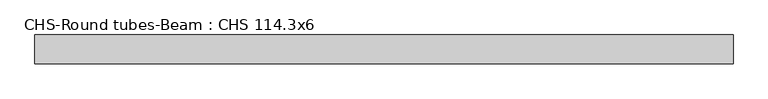
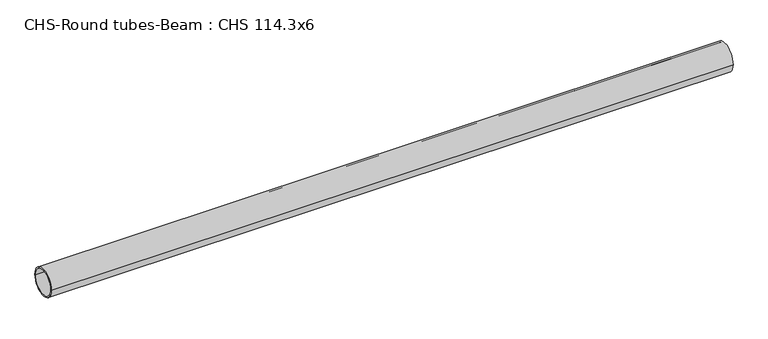
"""IFC4 building model written with IfcOpenShell, lengths in millimetres: beam geometry, CHS-Round tubes-Beam : CHS 114.3x6."""

import ifcopenshell
import ifcopenshell.guid

model = None  # the IFC model being written
_history = None  # IfcOwnerHistory: only IFC2X3 demands one
_inside = {}  # id of a spatial element -> (the spatial element, [elements in it])
_under = {}  # id of a project, library or spatial element -> (it, [spatial elements below it])
_declared = {}  # id of a project -> (the project, [libraries it declares])
_typed = {}  # id of a type object -> (the type object, [elements of that type])
_made_of = {}  # id of a material, layer set ... -> (it, [elements and type objects made of it])


def new_model(schema):
    """Start an empty IFC model of exactly this schema.

    Asked for "IFC4X3", IfcOpenShell would pick the latest addendum, in which some entities
    have other attributes; the version numbers below select the first issue.
    IFC2X3 requires an IfcOwnerHistory on every rooted entity: one is made here for all.
    """
    global model, _history
    if schema == "IFC4X3":
        model = ifcopenshell.file(schema_version=(4, 3, 0, 0))
    else:
        model = ifcopenshell.file(schema=schema)
    _inside.clear()
    _under.clear()
    _declared.clear()
    _typed.clear()
    _made_of.clear()
    _history = None
    if model.schema == "IFC2X3":
        org = make("IfcOrganization", Name="unknown")
        user = make(
            "IfcPersonAndOrganization",
            ThePerson=make("IfcPerson", FamilyName="unknown"),
            TheOrganization=org,
        )
        app = make(
            "IfcApplication",
            ApplicationDeveloper=org,
            Version="unknown",
            ApplicationFullName="unknown",
            ApplicationIdentifier="unknown",
        )
        _history = make(
            "IfcOwnerHistory",
            OwningUser=user,
            OwningApplication=app,
            ChangeAction="ADDED",
            CreationDate=0,
        )
    return model


def make(cls, **values):
    """One entity of the class cls with the attributes given. An attribute that is None is left unset."""
    return model.create_entity(
        cls, **{name: value for name, value in values.items() if value is not None}
    )


def rooted(cls, **values):
    """An entity with a GlobalId (a new one), such as an element, a storey or a relation."""
    return make(cls, GlobalId=ifcopenshell.guid.new(), OwnerHistory=_history, **values)


def si_unit(unit_type, name, prefix=None):
    """IfcSIUnit, for example si_unit("LENGTHUNIT", "METRE", prefix="MILLI")."""
    return make("IfcSIUnit", UnitType=unit_type, Prefix=prefix, Name=name)


def assignment(units):
    """IfcUnitAssignment: the units of a project."""
    return None if units is None else make("IfcUnitAssignment", Units=units)


def point(xyz):
    """IfcCartesianPoint."""
    return None if xyz is None else make("IfcCartesianPoint", Coordinates=xyz)


def direction(xyz):
    """IfcDirection."""
    return None if xyz is None else make("IfcDirection", DirectionRatios=xyz)


def frame(location, z_axis=None, x_axis=None):
    """IfcAxis2Placement3D, a coordinate frame: its origin and axes. An axis left out is left unset."""
    return make(
        "IfcAxis2Placement3D",
        Location=point(location),
        Axis=direction(z_axis),
        RefDirection=direction(x_axis),
    )


def frame_2d(location, x_axis=None):
    """IfcAxis2Placement2D, a coordinate frame in the plane: its origin and x axis."""
    return make(
        "IfcAxis2Placement2D", Location=point(location), RefDirection=direction(x_axis)
    )


def origin():
    """The frame at (0, 0, 0) with its axes left unset."""
    return frame((0.0, 0.0, 0.0))


def origin_2d():
    """The frame at (0, 0) in the plane with its x axis left unset."""
    return frame_2d((0.0, 0.0))


def place(relative_to, where):
    """IfcLocalPlacement: puts the frame where relative to a parent placement (None: the world)."""
    return make(
        "IfcLocalPlacement", PlacementRelTo=relative_to, RelativePlacement=where
    )


def context(
    kind, dimensions, precision=None, world=None, true_north=None, identifier=None
):
    """IfcGeometricRepresentationContext, for example the 3D "Model" context."""
    return make(
        "IfcGeometricRepresentationContext",
        ContextIdentifier=identifier,
        ContextType=kind,
        CoordinateSpaceDimension=dimensions,
        Precision=precision,
        WorldCoordinateSystem=world,
        TrueNorth=true_north,
    )


def project(units=None, contexts=None):
    """IfcProject with its units and contexts."""
    return rooted(
        "IfcProject",
        Name="project",
        RepresentationContexts=contexts,
        UnitsInContext=assignment(units),
    )


def spatial(cls, under=None, at=None, **own):
    """A site, building, storey or space (cls), placed at a placement, below another one or the project."""
    s = rooted(cls, ObjectPlacement=at, **own)
    if under is not None:
        _under.setdefault(under.id(), (under, []))[1].append(s)
    return s


def circle_curve(where, radius):
    """IfcCircle in the frame where."""
    return make("IfcCircle", Position=where, Radius=radius)


def trimmed(basis, trim1, trim2, sense, master):
    """IfcTrimmedCurve: the piece of a basis curve between two trims."""
    return make(
        "IfcTrimmedCurve",
        BasisCurve=basis,
        Trim1=trim1,
        Trim2=trim2,
        SenseAgreement=sense,
        MasterRepresentation=master,
    )


def segment(curve, same_sense, transition):
    """IfcCompositeCurveSegment."""
    return make(
        "IfcCompositeCurveSegment",
        Transition=transition,
        SameSense=same_sense,
        ParentCurve=curve,
    )


def composite_curve(segments, self_intersect=None):
    """IfcCompositeCurve: segments joined end to end."""
    return make("IfcCompositeCurve", Segments=segments, SelfIntersect=self_intersect)


def outline(outer, holes=None, kind="AREA"):
    """IfcArbitraryClosedProfileDef: a profile drawn as a closed curve; with holes, ...WithVoids."""
    if holes is None:
        return make("IfcArbitraryClosedProfileDef", ProfileType=kind, OuterCurve=outer)
    return make(
        "IfcArbitraryProfileDefWithVoids",
        ProfileType=kind,
        OuterCurve=outer,
        InnerCurves=holes,
    )


def extrude(swept, where, along, depth):
    """IfcExtrudedAreaSolid: the profile swept, set in the frame where, extruded along a direction by depth."""
    return make(
        "IfcExtrudedAreaSolid",
        SweptArea=swept,
        Position=where,
        ExtrudedDirection=direction(along),
        Depth=depth,
    )


def shape(context_of_items, identifier, shape_type, items):
    """IfcShapeRepresentation: the items that make up one representation, for example the "Body"."""
    return make(
        "IfcShapeRepresentation",
        ContextOfItems=context_of_items,
        RepresentationIdentifier=identifier,
        RepresentationType=shape_type,
        Items=items,
    )


def source(mapping_origin, context_of_items, identifier, shape_type, items):
    """IfcRepresentationMap: a shape defined once, which mapped items show again and again."""
    return make(
        "IfcRepresentationMap",
        MappingOrigin=mapping_origin,
        MappedRepresentation=shape(context_of_items, identifier, shape_type, items),
    )


def transform(
    local_origin,
    x_axis=None,
    y_axis=None,
    z_axis=None,
    scale=None,
    scale2=None,
    scale3=None,
    uniform=True,
):
    """IfcCartesianTransformationOperator3D, or its non-uniform kind. x_axis, y_axis, z_axis: its Axis1, 2, 3."""
    if uniform:
        return make(
            "IfcCartesianTransformationOperator3D",
            Axis1=direction(x_axis),
            Axis2=direction(y_axis),
            LocalOrigin=point(local_origin),
            Scale=scale,
            Axis3=direction(z_axis),
        )
    return make(
        "IfcCartesianTransformationOperator3DnonUniform",
        Axis1=direction(x_axis),
        Axis2=direction(y_axis),
        LocalOrigin=point(local_origin),
        Scale=scale,
        Axis3=direction(z_axis),
        Scale2=scale2,
        Scale3=scale3,
    )


def mapped(mapping_source, mapping_target):
    """IfcMappedItem: shows the shape of a source again, moved by a transform."""
    return make(
        "IfcMappedItem", MappingSource=mapping_source, MappingTarget=mapping_target
    )


def made_of(thing, what):
    """Note that an element or type object is made of a material, layer set ...; save() writes the relation."""
    if what is not None:
        _made_of.setdefault(what.id(), (what, []))[1].append(thing)
    return thing


def element(
    cls,
    number,
    at=None,
    inside=None,
    cuts=None,
    type_object=None,
    material=None,
    context=None,
    identifier="Body",
    shape_type=None,
    held_by="IfcProductDefinitionShape",
    body=None,
    shapes=None,
    **own,
):
    """One element of the class cls, such as IfcWall. Its Tag is "e" and its number.

    at: its placement. inside: the storey or other place that contains it. cuts: it is an
    opening in that element (IfcRelVoidsElement). A single representation is given by context,
    identifier, shape_type and body (its items); several are given by shapes. held_by: the class
    of the entity that holds the representations. save() writes the other relations.
    """
    e = rooted(cls, Tag="e%d" % number, ObjectPlacement=at, **own)
    if body is not None:
        shapes = [shape(context, identifier, shape_type, body)]
    if shapes is not None:
        e.Representation = make(held_by, Representations=shapes)
    if inside is not None:
        _inside.setdefault(inside.id(), (inside, []))[1].append(e)
    if cuts is not None:
        rooted(
            "IfcRelVoidsElement", RelatingBuildingElement=cuts, RelatedOpeningElement=e
        )
    if type_object is not None:
        _typed.setdefault(type_object.id(), (type_object, []))[1].append(e)
    return made_of(e, material)


def aggregate(whole, parts):
    """IfcRelAggregates: a whole, such as a stair, and the parts it consists of."""
    return rooted("IfcRelAggregates", RelatingObject=whole, RelatedObjects=parts)


def save(model, path):
    """Write the relations noted so far, then the file.

    IfcRelAggregates (storeys below a building ...), IfcRelContainedInSpatialStructure (elements
    in a storey), IfcRelDefinesByType, IfcRelAssociatesMaterial and IfcRelDeclares: one each for
    every whole, place, type object, material and project.
    """
    for whole, parts in _under.values():
        aggregate(whole, parts)
    for where, things in _inside.values():
        rooted(
            "IfcRelContainedInSpatialStructure",
            RelatedElements=things,
            RelatingStructure=where,
        )
    for kind, things in _typed.values():
        rooted("IfcRelDefinesByType", RelatedObjects=things, RelatingType=kind)
    for what, things in _made_of.values():
        rooted("IfcRelAssociatesMaterial", RelatedObjects=things, RelatingMaterial=what)
    for by, libraries in _declared.values():
        rooted("IfcRelDeclares", RelatingContext=by, RelatedDefinitions=libraries)
    model.write(path)


def chs_round_tubes_beam_chs_114_3x6_e2aca432(model_context):
    return source(origin(), model_context, "Body", "SweptSolid", [
        extrude(outline(composite_curve([segment(trimmed(circle_curve(origin_2d(), 57.15), [point((57.15, 0.0))], [point((-57.15, 0.0))], False, "CARTESIAN"), True, "CONTINUOUS"), segment(trimmed(circle_curve(origin_2d(), 57.15), [point((-57.15, 0.0))], [point((57.15, 0.0))], False, "CARTESIAN"), True, "CONTINUOUS")], self_intersect=False), holes=[composite_curve([segment(trimmed(circle_curve(origin_2d(), 51.15), [point((51.15, 0.0))], [point((-51.15, 0.0))], True, "CARTESIAN"), True, "CONTINUOUS"), segment(trimmed(circle_curve(origin_2d(), 51.15), [point((-51.15, 0.0))], [point((51.15, 0.0))], True, "CARTESIAN"), True, "CONTINUOUS")], self_intersect=False)]), frame((-1334.8066598, 0.0, 0.0), z_axis=(1.0, 0.0, 0.0), x_axis=(0.0, 1.0, 0.0)), (0.0, 0.0, 1.0), 2754.3877171),
    ])


if __name__ == "__main__":
    model = new_model("IFC4")
    model_context = context("Model", 3, world=origin())
    ifc_project = project(units=[si_unit("LENGTHUNIT", "METRE", prefix="MILLI")], contexts=[model_context])
    site = spatial("IfcSite", under=ifc_project)
    building = spatial("IfcBuilding", under=site)
    placement = place(None, origin())
    chs_round_tubes_beam_chs_114_3x6_shape = chs_round_tubes_beam_chs_114_3x6_e2aca432(model_context)
    element("IfcBeam", 1, ObjectType="CHS-Round tubes-Beam : CHS 114.3x6", at=placement, inside=building, context=model_context, shape_type="MappedRepresentation", body=[
        mapped(chs_round_tubes_beam_chs_114_3x6_shape, transform((0.0, 0.0, 0.0), x_axis=(1.0, 0.0, 0.0), y_axis=(0.0, 1.0, 0.0), z_axis=(0.0, 0.0, 1.0))),
    ])
    save(model, "model.ifc")
